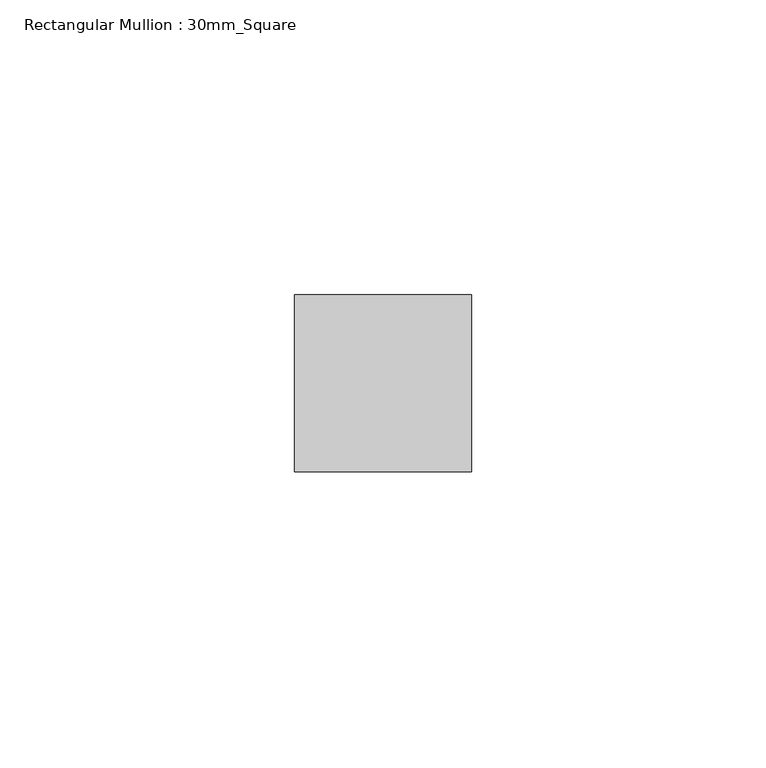
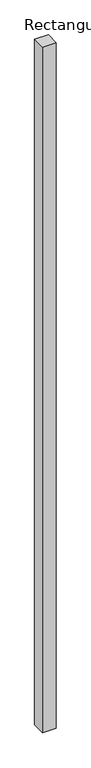
"""IFC4 building model written with IfcOpenShell, lengths in millimetres: member geometry, Rectangular Mullion : 30mm_Square."""

from ifc_helpers import new_model, si_unit, frame, origin, place, context, project, spatial, polyline, outline, extrude, source, transform, mapped, element, save


def rectangular_mullion_30mm_square_83212f8f(model_context):
    return source(origin(), model_context, "Body", "SweptSolid", [
        extrude(outline(polyline([(0.0, 15.0), (0.0, -15.0), (-30.0, -15.0), (-30.0, 15.0), (0.0, 15.0)])), frame((0.0, 0.0, -1600.0), z_axis=(0.0, 0.0, 1.0), x_axis=(1.0, 0.0, 0.0)), (0.0, 0.0, 1.0), 1600.0),
    ])


if __name__ == "__main__":
    model = new_model("IFC4")
    model_context = context("Model", 3, world=origin())
    ifc_project = project(units=[si_unit("LENGTHUNIT", "METRE", prefix="MILLI")], contexts=[model_context])
    site = spatial("IfcSite", under=ifc_project)
    building = spatial("IfcBuilding", under=site)
    placement = place(None, origin())
    rectangular_mullion_30mm_square_shape = rectangular_mullion_30mm_square_83212f8f(model_context)
    element("IfcMember", 1, ObjectType="Rectangular Mullion : 30mm_Square", at=placement, inside=building, context=model_context, shape_type="MappedRepresentation", body=[
        mapped(rectangular_mullion_30mm_square_shape, transform((0.0, 0.0, 0.0), x_axis=(1.0, 0.0, 0.0), y_axis=(0.0, 1.0, 0.0), z_axis=(0.0, 0.0, 1.0))),
    ])
    save(model, "model.ifc")
